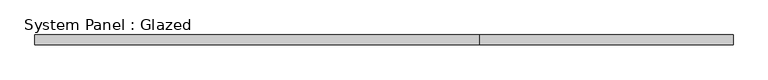
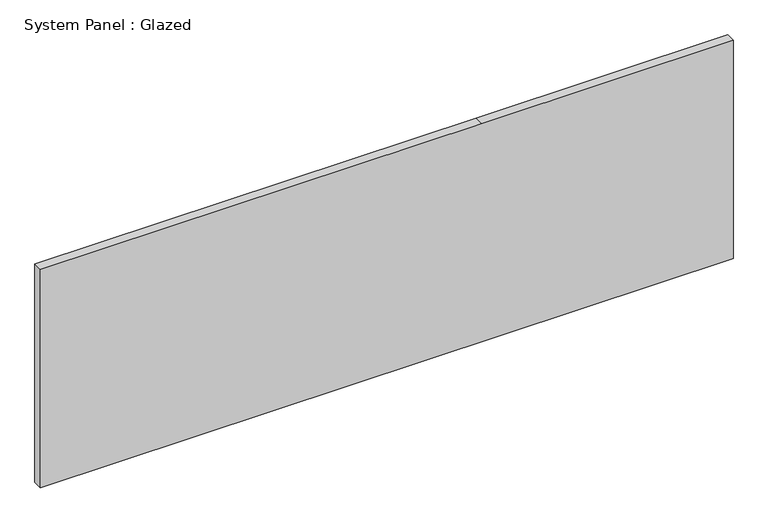
"""IFC4 building model written with IfcOpenShell, lengths in millimetres: plate geometry, System Panel : Glazed."""

from ifc_helpers import new_model, si_unit, frame, origin, place, context, project, spatial, polyline, outline, extrude, source, transform, mapped, element, save


def system_panel_glazed_1c749ff6(model_context):
    return source(origin(), model_context, "Body", "SweptSolid", [
        extrude(outline(polyline([(0.0, -914.4), (0.0, 914.4), (609.6, 914.4), (609.6, 250.3216439), (609.6, -914.4), (0.0, -914.4)])), frame((0.0, 19.05, 0.0), z_axis=(0.0, 1.0, 0.0), x_axis=(0.0, 0.0, 1.0)), (0.0, 0.0, 1.0), 25.4),
    ])


if __name__ == "__main__":
    model = new_model("IFC4")
    model_context = context("Model", 3, world=origin())
    ifc_project = project(units=[si_unit("LENGTHUNIT", "METRE", prefix="MILLI")], contexts=[model_context])
    site = spatial("IfcSite", under=ifc_project)
    building = spatial("IfcBuilding", under=site)
    placement = place(None, origin())
    system_panel_glazed_shape = system_panel_glazed_1c749ff6(model_context)
    element("IfcPlate", 1, ObjectType="System Panel : Glazed", at=placement, inside=building, context=model_context, shape_type="MappedRepresentation", body=[
        mapped(system_panel_glazed_shape, transform((0.0, 0.0, 0.0), x_axis=(1.0, 0.0, 0.0), y_axis=(0.0, 1.0, 0.0), z_axis=(0.0, 0.0, 1.0))),
    ])
    save(model, "model.ifc")
